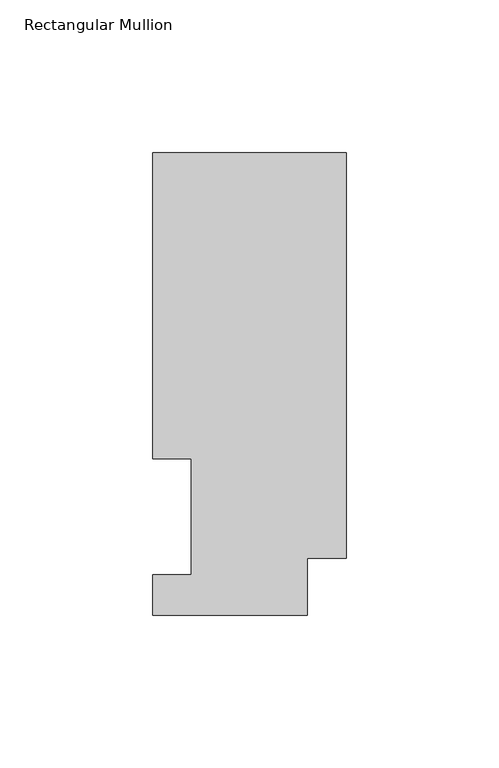
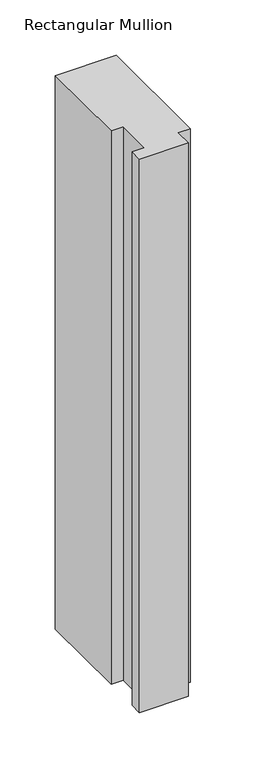
"""IFC4 building model written with IfcOpenShell, lengths in millimetres: member geometry, Rectangular Mullion."""

from ifc_helpers import new_model, si_unit, frame, origin, place, context, project, spatial, polyline, outline, extrude, source, transform, mapped, element, save


def rectangular_mullion_cf93cb6f(model_context):
    return source(origin(), model_context, "Body", "SweptSolid", [
        extrude(outline(polyline([(0.0, 151.7022937), (0.0, 18.7332937), (-12.7, 18.7332937), (-12.7, 0.0134937), (-63.5, 0.0134937), (-63.5, 13.1960938), (-50.8, 13.1960938), (-50.8, 51.2960938), (-63.5, 51.2960938), (-63.5, 151.7022937), (0.0, 151.7022937)])), frame((0.0, 0.0, -609.587333), z_axis=(0.0, 0.0, 1.0), x_axis=(1.0, 0.0, 0.0)), (0.0, 0.0, 1.0), 609.587333),
    ])


if __name__ == "__main__":
    model = new_model("IFC4")
    model_context = context("Model", 3, world=origin())
    ifc_project = project(units=[si_unit("LENGTHUNIT", "METRE", prefix="MILLI")], contexts=[model_context])
    site = spatial("IfcSite", under=ifc_project)
    building = spatial("IfcBuilding", under=site)
    placement = place(None, origin())
    rectangular_mullion_shape = rectangular_mullion_cf93cb6f(model_context)
    element("IfcMember", 1, ObjectType="Rectangular Mullion", at=placement, inside=building, context=model_context, shape_type="MappedRepresentation", body=[
        mapped(rectangular_mullion_shape, transform((0.0, 0.0, 0.0), x_axis=(1.0, 0.0, 0.0), y_axis=(0.0, 1.0, 0.0), z_axis=(0.0, 0.0, 1.0))),
    ])
    save(model, "model.ifc")
